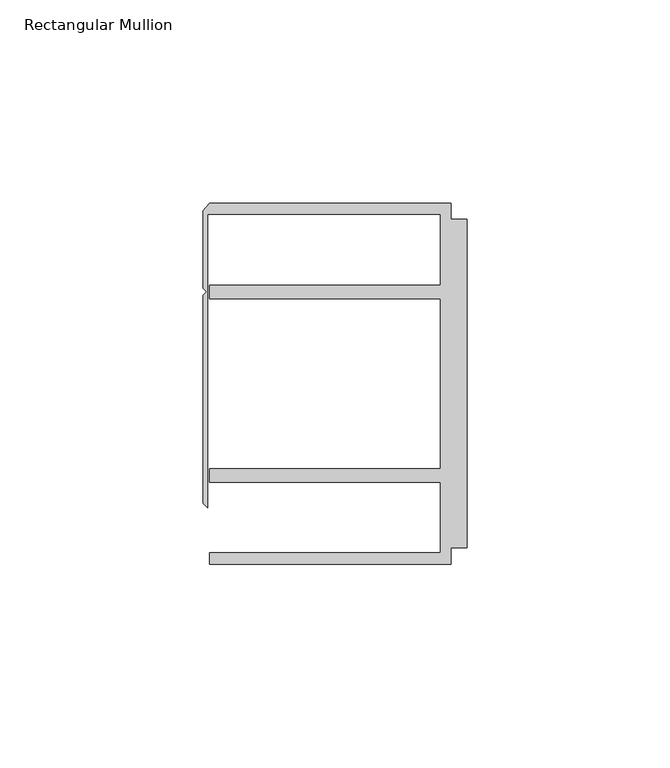
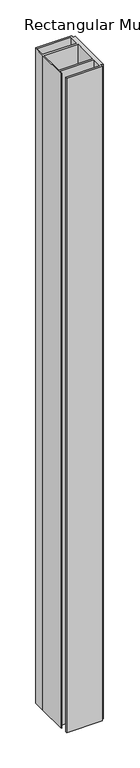
"""IFC4 building model written with IfcOpenShell, lengths in millimetres: member geometry, Rectangular Mullion."""

from ifc_helpers import new_model, si_unit, frame, origin, place, context, project, spatial, polyline, outline, extrude, source, transform, mapped, element, save


def rectangular_mullion_52cf6fe2(model_context):
    return source(origin(), model_context, "Body", "SweptSolid", [
        extrude(outline(polyline([(-4.0000001, 44.45), (-4.0000001, 40.4500013), (0.0, 40.4500013), (0.0, -40.4500013), (-4.0000001, -40.4500013), (-4.0000001, -44.45), (-63.5, -44.45), (-63.5, -41.6500013), (-6.6000002, -41.6500013), (-6.6000002, -24.2500008), (-63.5, -24.2500008), (-63.5, -20.9500007), (-6.6000002, -20.9500007), (-6.6000002, 20.9500007), (-63.5, 20.9500007), (-63.5, 24.2500008), (-6.6000002, 24.2500008), (-6.6000002, 41.6500013), (-63.9424102, 41.6500013), (-63.9424102, -30.6159585), (-65.0875, -29.4708687), (-65.0875, 21.7153948), (-64.1791674, 22.6237274), (-65.0875, 23.53206), (-65.0875, 42.5778955), (-63.5, 44.45), (-4.0000001, 44.45)])), frame((0.0, 0.0, -1154.1125), z_axis=(0.0, 0.0, 1.0), x_axis=(1.0, 0.0, 0.0)), (0.0, 0.0, 1.0), 1154.1125),
    ])


if __name__ == "__main__":
    model = new_model("IFC4")
    model_context = context("Model", 3, world=origin())
    ifc_project = project(units=[si_unit("LENGTHUNIT", "METRE", prefix="MILLI")], contexts=[model_context])
    site = spatial("IfcSite", under=ifc_project)
    building = spatial("IfcBuilding", under=site)
    placement = place(None, origin())
    rectangular_mullion_shape = rectangular_mullion_52cf6fe2(model_context)
    element("IfcMember", 1, ObjectType="Rectangular Mullion", at=placement, inside=building, context=model_context, shape_type="MappedRepresentation", body=[
        mapped(rectangular_mullion_shape, transform((0.0, 0.0, 0.0), x_axis=(1.0, 0.0, 0.0), y_axis=(0.0, 1.0, 0.0), z_axis=(0.0, 0.0, 1.0))),
    ])
    save(model, "model.ifc")
